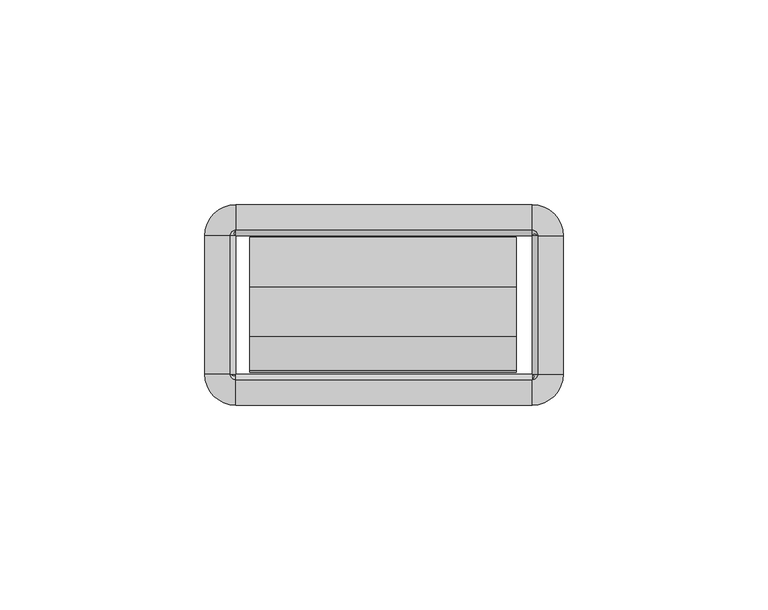
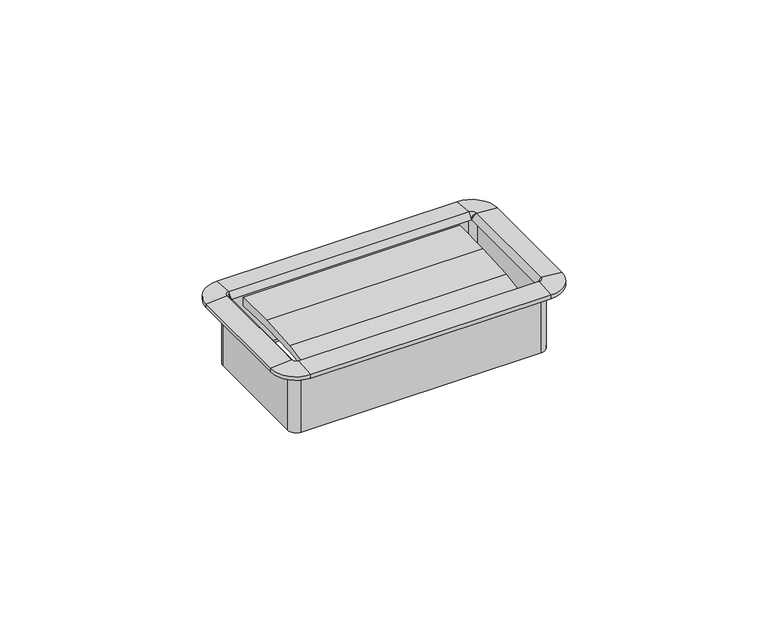
"""IFC4 building model written with IfcOpenShell, lengths in millimetres: furniture geometry."""

from ifc_helpers import new_model, si_unit, frame, origin, place, context, project, spatial, polyline, circle_curve, outline, extrude, source, transform, mapped, element, save
from ifc_brep_helpers import plane_surface, cylinder_surface, revolved_surface, advanced_brep


def furniture_e0453066(model_context):
    return source(origin(), model_context, "Body", "SolidModel", [
        extrude(outline(polyline([(-27.4015977, 721.8120863), (-35.841251, 720.7485162), (-35.4230807, 722.1264643), (-27.1272776, 723.6654801), (-15.0207956, 724.4590476), (-2.8884162, 724.5041428), (-2.9633248, 721.7459915), (-15.1814712, 722.1449755), (-27.4015977, 721.8120863)])), frame((-32.8496732, 0.0, 0.0), z_axis=(1.0, 0.0, 0.0), x_axis=(0.0, 1.0, 0.0)), (0.0, 0.0, 1.0), 65.1763996),
        advanced_brep(
        [(37.8602578, -2.54, 724.74074), (36.1704551, -0.8501974, 724.74074), (36.1704551, -0.8501974, 705.89394), (37.8602578, -2.54, 705.89394), (37.5244377, -2.54, 726.4059854), (36.1704551, -1.1860174, 726.4059854), (36.1704551, -2.5172282, 724.74074), (43.7913825, -2.54, 725.88374), (36.1704551, 5.0809274, 725.88374), (43.7913825, -2.54, 724.74074), (36.1704551, 5.0809274, 724.74074), (38.7104551, -2.54, 704.4207389), (36.1704551, 0.0, 704.4207389), (36.1704551, 0.0, 724.74074), (38.7104551, -2.54, 724.74074), (37.8602578, -36.2712, 705.89394), (37.8602578, -36.2712, 724.74074), (36.1932269, -36.2712, 724.74074), (37.5244377, -36.2712, 726.4059854), (43.7913825, -36.2712, 725.88374), (43.7913825, -36.2712, 724.74074), (38.7104551, -36.2712, 724.74074), (38.7104551, -36.2712, 704.4207389), (36.1704551, -37.9610026, 724.74074), (36.1704551, -37.9610026, 705.89394), (36.1704551, -37.6251826, 726.4059854), (36.1704551, -43.8921274, 725.88374), (36.1704551, -43.8921274, 724.74074), (36.1704551, -38.8112, 704.4207389), (36.1704551, -38.8112, 724.74074), (-36.1687428, -37.9610026, 705.89394), (-36.1687428, -37.9610026, 724.74074), (-36.1687428, -36.2939718, 724.74074), (-36.1687428, -37.6251826, 726.4059854), (-36.1687428, -43.8921274, 725.88374), (-36.1687428, -43.8921274, 724.74074), (-36.1687428, -38.8112, 724.74074), (-36.1687428, -38.8112, 704.4207389), (-37.8585455, -36.2712, 724.74074), (-37.8585455, -36.2712, 705.89394), (-37.5227254, -36.2712, 726.4059854), (-43.7896702, -36.2712, 725.88374), (-43.7896702, -36.2712, 724.74074), (-38.7087428, -36.2712, 704.4207389), (-38.7087428, -36.2712, 724.74074), (-37.8585455, -2.54, 705.89394), (-37.8585455, -2.54, 724.74074), (-36.1915146, -2.54, 724.74074), (-37.5227254, -2.54, 726.4059854), (-43.7896702, -2.54, 725.88374), (-43.7896702, -2.54, 724.74074), (-38.7087428, -2.54, 724.74074), (-38.7087428, -2.54, 704.4207389), (-36.1687428, -0.8501974, 724.74074), (-36.1687428, -0.8501974, 705.89394), (-36.1687428, -1.1860174, 726.4059854), (-36.1687428, 5.0809274, 725.88374), (-36.1687428, 5.0809274, 724.74074), (-36.1687428, 0.0, 704.4207389), (-36.1687428, 0.0, 724.74074), (38.6519521, -2.54, 705.89394), (36.1704551, -0.058503, 705.89394), (38.6519521, -36.2712, 705.89394), (36.1704551, -38.752697, 705.89394), (-36.1687428, -38.752697, 705.89394), (-38.6502398, -36.2712, 705.89394), (-38.6502398, -2.54, 705.89394), (-36.1687428, -0.058503, 705.89394)],
        [
            (0, 1, circle_curve(frame((36.1704551, -2.54, 724.74074), z_axis=(0.0, 0.0, 1.0), x_axis=(0.0, 1.0, 0.0)), 1.6898026)),
            (1, 2),
            (2, 3, circle_curve(frame((36.1704551, -2.54, 705.89394), z_axis=(0.0, 0.0, -1.0), x_axis=(0.0, 1.0, 0.0)), 1.6898026)),
            (3, 0),
            (4, 5, circle_curve(frame((36.1704551, -2.54, 726.4059854), z_axis=(0.0, 0.0, 1.0), x_axis=(0.0, 1.0, 0.0)), 1.3539826)),
            (5, 6),
            (6, 4),
            (7, 8, circle_curve(frame((36.1704551, -2.54, 725.88374), z_axis=(0.0, 0.0, 1.0), x_axis=(0.0, 1.0, 0.0)), 7.6209274)),
            (8, 5),
            (4, 7),
            (9, 10, circle_curve(frame((36.1704551, -2.54, 724.74074), z_axis=(0.0, 0.0, 1.0), x_axis=(0.0, 1.0, 0.0)), 7.6209274)),
            (10, 8),
            (7, 9),
            (11, 12, circle_curve(frame((36.1704551, -2.54, 704.4207389), z_axis=(0.0, 0.0, 1.0), x_axis=(0.0, 1.0, 0.0)), 2.54)),
            (12, 13),
            (13, 14, circle_curve(frame((36.1704551, -2.54, 724.74074), z_axis=(0.0, 0.0, -1.0), x_axis=(0.0, 1.0, 0.0)), 2.54)),
            (14, 11),
            (3, 15),
            (15, 16),
            (16, 0),
            (6, 17),
            (17, 18),
            (18, 4),
            (18, 19),
            (19, 7),
            (19, 20),
            (20, 9),
            (14, 21),
            (21, 22),
            (22, 11),
            (23, 16, circle_curve(frame((36.1704551, -36.2712, 724.74074), z_axis=(0.0, 0.0, 1.0), x_axis=(1.0, 0.0, 0.0)), 1.6898026)),
            (15, 24, circle_curve(frame((36.1704551, -36.2712, 705.89394), z_axis=(0.0, 0.0, -1.0), x_axis=(1.0, 0.0, 0.0)), 1.6898026)),
            (24, 23),
            (25, 18, circle_curve(frame((36.1704551, -36.2712, 726.4059854), z_axis=(0.0, 0.0, 1.0), x_axis=(1.0, 0.0, 0.0)), 1.3539826)),
            (17, 25),
            (26, 19, circle_curve(frame((36.1704551, -36.2712, 725.88374), z_axis=(0.0, 0.0, 1.0), x_axis=(1.0, 0.0, 0.0)), 7.6209274)),
            (25, 26),
            (27, 20, circle_curve(frame((36.1704551, -36.2712, 724.74074), z_axis=(0.0, 0.0, 1.0), x_axis=(1.0, 0.0, 0.0)), 7.6209274)),
            (26, 27),
            (28, 22, circle_curve(frame((36.1704551, -36.2712, 704.4207389), z_axis=(0.0, 0.0, 1.0), x_axis=(1.0, 0.0, 0.0)), 2.54)),
            (21, 29, circle_curve(frame((36.1704551, -36.2712, 724.74074), z_axis=(0.0, 0.0, -1.0), x_axis=(1.0, 0.0, 0.0)), 2.54)),
            (29, 28),
            (24, 30),
            (30, 31),
            (31, 23),
            (17, 32),
            (32, 33),
            (33, 25),
            (33, 34),
            (34, 26),
            (34, 35),
            (35, 27),
            (29, 36),
            (36, 37),
            (37, 28),
            (38, 31, circle_curve(frame((-36.1687428, -36.2712, 724.74074), z_axis=(0.0, 0.0, 1.0), x_axis=(0.0, -1.0, 0.0)), 1.6898026)),
            (30, 39, circle_curve(frame((-36.1687428, -36.2712, 705.89394), z_axis=(0.0, 0.0, -1.0), x_axis=(0.0, -1.0, 0.0)), 1.6898026)),
            (39, 38),
            (40, 33, circle_curve(frame((-36.1687428, -36.2712, 726.4059854), z_axis=(0.0, 0.0, 1.0), x_axis=(0.0, -1.0, 0.0)), 1.3539826)),
            (32, 40),
            (41, 34, circle_curve(frame((-36.1687428, -36.2712, 725.88374), z_axis=(0.0, 0.0, 1.0), x_axis=(0.0, -1.0, 0.0)), 7.6209274)),
            (40, 41),
            (42, 35, circle_curve(frame((-36.1687428, -36.2712, 724.74074), z_axis=(0.0, 0.0, 1.0), x_axis=(0.0, -1.0, 0.0)), 7.6209274)),
            (41, 42),
            (43, 37, circle_curve(frame((-36.1687428, -36.2712, 704.4207389), z_axis=(0.0, 0.0, 1.0), x_axis=(0.0, -1.0, 0.0)), 2.54)),
            (36, 44, circle_curve(frame((-36.1687428, -36.2712, 724.74074), z_axis=(0.0, 0.0, -1.0), x_axis=(0.0, -1.0, 0.0)), 2.54)),
            (44, 43),
            (39, 45),
            (45, 46),
            (46, 38),
            (32, 47),
            (47, 48),
            (48, 40),
            (48, 49),
            (49, 41),
            (49, 50),
            (50, 42),
            (44, 51),
            (51, 52),
            (52, 43),
            (53, 46, circle_curve(frame((-36.1687428, -2.54, 724.74074), z_axis=(0.0, 0.0, 1.0), x_axis=(-1.0, 0.0, 0.0)), 1.6898026)),
            (45, 54, circle_curve(frame((-36.1687428, -2.54, 705.89394), z_axis=(0.0, 0.0, -1.0), x_axis=(-1.0, 0.0, 0.0)), 1.6898026)),
            (54, 53),
            (55, 48, circle_curve(frame((-36.1687428, -2.54, 726.4059854), z_axis=(0.0, 0.0, 1.0), x_axis=(-1.0, 0.0, 0.0)), 1.3539826)),
            (47, 55),
            (56, 49, circle_curve(frame((-36.1687428, -2.54, 725.88374), z_axis=(0.0, 0.0, 1.0), x_axis=(-1.0, 0.0, 0.0)), 7.6209274)),
            (55, 56),
            (57, 50, circle_curve(frame((-36.1687428, -2.54, 724.74074), z_axis=(0.0, 0.0, 1.0), x_axis=(-1.0, 0.0, 0.0)), 7.6209274)),
            (56, 57),
            (58, 52, circle_curve(frame((-36.1687428, -2.54, 704.4207389), z_axis=(0.0, 0.0, 1.0), x_axis=(-1.0, 0.0, 0.0)), 2.54)),
            (51, 59, circle_curve(frame((-36.1687428, -2.54, 724.74074), z_axis=(0.0, 0.0, -1.0), x_axis=(-1.0, 0.0, 0.0)), 2.54)),
            (59, 58),
            (54, 2),
            (1, 53),
            (6, 47),
            (5, 55),
            (8, 56),
            (10, 57),
            (13, 59),
            (12, 58),
            (60, 61, circle_curve(frame((36.1704551, -2.54, 705.89394), z_axis=(0.0, 0.0, 1.0), x_axis=(0.0, 1.0, 0.0)), 2.481497)),
            (61, 12),
            (11, 60),
            (22, 62),
            (62, 60),
            (63, 62, circle_curve(frame((36.1704551, -36.2712, 705.89394), z_axis=(0.0, 0.0, 1.0), x_axis=(1.0, 0.0, 0.0)), 2.481497)),
            (28, 63),
            (37, 64),
            (64, 63),
            (65, 64, circle_curve(frame((-36.1687428, -36.2712, 705.89394), z_axis=(0.0, 0.0, 1.0), x_axis=(0.0, -1.0, 0.0)), 2.481497)),
            (43, 65),
            (52, 66),
            (66, 65),
            (67, 66, circle_curve(frame((-36.1687428, -2.54, 705.89394), z_axis=(0.0, 0.0, 1.0), x_axis=(-1.0, 0.0, 0.0)), 2.481497)),
            (58, 67),
            (61, 67),
        ],
        [
            revolved_surface(polyline([(36.1704551, -0.8501974000000001, 705.89394), (36.1704551, -0.8501974000000001, 724.74074)]), (36.1704551, -2.54, 724.74074), (0.0, 0.0, -1.0)),
            revolved_surface(polyline([(36.1704551, -2.5172282, 724.74074), (36.1704551, -1.1860174, 726.4059854)]), (36.1704551, -2.54, 724.74074), (0.0, 0.0, -1.0)),
            revolved_surface(polyline([(36.1704551, -1.1860174, 726.4059854), (36.1704551, 5.0809274, 725.88374)]), (36.1704551, -2.54, 724.74074), (0.0, 0.0, -1.0)),
            cylinder_surface(frame((36.1704551, -2.54, 724.74074), z_axis=(0.0, 0.0, -1.0), x_axis=(0.0, 1.0, 0.0)), 7.6209274),
            cylinder_surface(frame((36.1704551, -2.54, 724.74074), z_axis=(0.0, 0.0, -1.0), x_axis=(0.0, 1.0, 0.0)), 2.54),
            plane_surface(frame((37.8602578, -2.54, 705.89394), z_axis=(-1.0, 0.0, 0.0), x_axis=(0.0, -1.0, 0.0))),
            plane_surface(frame((36.1932269, -2.54, 724.74074), z_axis=(-0.7810942622858547, 0.0, 0.6244131272035499), x_axis=(0.0, -1.0, 0.0))),
            plane_surface(frame((37.5244377, -2.54, 726.4059854), z_axis=(0.08304548081379862, 0.0, 0.9965457581648749), x_axis=(0.0, -1.0, 0.0))),
            plane_surface(frame((43.7913825, -2.54, 725.88374), z_axis=(1.0, 0.0, 0.0), x_axis=(0.0, -1.0, 0.0))),
            plane_surface(frame((38.7104551, -2.54, 724.74074), z_axis=(1.0, 0.0, 0.0), x_axis=(0.0, -1.0, 0.0))),
            revolved_surface(polyline([(37.8602577, -36.2712, 705.89394), (37.8602577, -36.2712, 724.74074)]), (36.1704551, -36.2712, 724.74074), (0.0, 0.0, -1.0)),
            revolved_surface(polyline([(36.1932269, -36.2712, 724.74074), (37.5244377, -36.2712, 726.4059854)]), (36.1704551, -36.2712, 724.74074), (0.0, 0.0, -1.0)),
            revolved_surface(polyline([(37.5244377, -36.2712, 726.4059854), (43.7913825, -36.2712, 725.88374)]), (36.1704551, -36.2712, 724.74074), (0.0, 0.0, -1.0)),
            cylinder_surface(frame((36.1704551, -36.2712, 724.74074), z_axis=(0.0, 0.0, -1.0), x_axis=(1.0, 0.0, 0.0)), 7.6209274),
            cylinder_surface(frame((36.1704551, -36.2712, 724.74074), z_axis=(0.0, 0.0, -1.0), x_axis=(1.0, 0.0, 0.0)), 2.54),
            plane_surface(frame((36.1704551, -37.9610026, 705.89394), z_axis=(0.0, 1.0, 0.0), x_axis=(-1.0, 0.0, 0.0))),
            plane_surface(frame((36.1704551, -36.2939718, 724.74074), z_axis=(0.0, 0.7810942622858565, 0.6244131272035475), x_axis=(-1.0, 0.0, 0.0))),
            plane_surface(frame((36.1704551, -37.6251826, 726.4059854), z_axis=(0.0, -0.08304548081379555, 0.9965457581648751), x_axis=(-1.0, 0.0, 0.0))),
            plane_surface(frame((36.1704551, -43.8921274, 725.88374), z_axis=(0.0, -1.0, 0.0), x_axis=(-1.0, 0.0, 0.0))),
            plane_surface(frame((36.1704551, -38.8112, 724.74074), z_axis=(0.0, -1.0, 0.0), x_axis=(-1.0, 0.0, 0.0))),
            revolved_surface(polyline([(-36.1687428, -37.9610026, 705.89394), (-36.1687428, -37.9610026, 724.74074)]), (-36.1687428, -36.2712, 724.74074), (0.0, 0.0, -1.0)),
            revolved_surface(polyline([(-36.1687428, -36.2939718, 724.74074), (-36.1687428, -37.6251826, 726.4059854)]), (-36.1687428, -36.2712, 724.74074), (0.0, 0.0, -1.0)),
            revolved_surface(polyline([(-36.1687428, -37.6251826, 726.4059854), (-36.1687428, -43.8921274, 725.88374)]), (-36.1687428, -36.2712, 724.74074), (0.0, 0.0, -1.0)),
            cylinder_surface(frame((-36.1687428, -36.2712, 724.74074), z_axis=(0.0, 0.0, -1.0), x_axis=(0.0, -1.0, 0.0)), 7.6209274),
            cylinder_surface(frame((-36.1687428, -36.2712, 724.74074), z_axis=(0.0, 0.0, -1.0), x_axis=(0.0, -1.0, 0.0)), 2.54),
            plane_surface(frame((-37.8585455, -36.2712, 705.89394), z_axis=(1.0, 0.0, 0.0), x_axis=(0.0, 1.0, 0.0))),
            plane_surface(frame((-36.1915146, -36.2712, 724.74074), z_axis=(0.7810942622858585, 0.0, 0.6244131272035451), x_axis=(0.0, 1.0, 0.0))),
            plane_surface(frame((-37.5227254, -36.2712, 726.4059854), z_axis=(-0.08304548081379248, 0.0, 0.9965457581648753), x_axis=(0.0, 1.0, 0.0))),
            plane_surface(frame((-43.7896702, -36.2712, 725.88374), z_axis=(-1.0, 0.0, 0.0), x_axis=(0.0, 1.0, 0.0))),
            plane_surface(frame((-38.7087428, -36.2712, 724.74074), z_axis=(-1.0, 0.0, 0.0), x_axis=(0.0, 1.0, 0.0))),
            revolved_surface(polyline([(-37.8585454, -2.54, 705.89394), (-37.8585454, -2.54, 724.74074)]), (-36.1687428, -2.54, 724.74074), (0.0, 0.0, -1.0)),
            revolved_surface(polyline([(-36.1915146, -2.54, 724.74074), (-37.5227254, -2.54, 726.4059854)]), (-36.1687428, -2.54, 724.74074), (0.0, 0.0, -1.0)),
            revolved_surface(polyline([(-37.5227254, -2.54, 726.4059854), (-43.7896702, -2.54, 725.88374)]), (-36.1687428, -2.54, 724.74074), (0.0, 0.0, -1.0)),
            cylinder_surface(frame((-36.1687428, -2.54, 724.74074), z_axis=(0.0, 0.0, -1.0), x_axis=(-1.0, 0.0, 0.0)), 7.6209274),
            cylinder_surface(frame((-36.1687428, -2.54, 724.74074), z_axis=(0.0, 0.0, -1.0), x_axis=(-1.0, 0.0, 0.0)), 2.54),
            plane_surface(frame((-36.1687428, -0.8501974, 705.89394), z_axis=(0.0, -1.0, 0.0), x_axis=(1.0, 0.0, 0.0))),
            plane_surface(frame((-36.1687428, -0.8501974, 724.74074), z_axis=(0.0, 0.0, -1.0), x_axis=(1.0, 0.0, 0.0))),
            plane_surface(frame((-36.1687428, -2.5172282, 724.74074), z_axis=(0.0, -0.7810942622858567, 0.6244131272035476), x_axis=(1.0, 0.0, 0.0))),
            plane_surface(frame((-36.1687428, -1.1860174, 726.4059854), z_axis=(0.0, 0.08304548081379555, 0.9965457581648751), x_axis=(1.0, 0.0, 0.0))),
            plane_surface(frame((-36.1687428, 5.0809274, 725.88374), z_axis=(0.0, 1.0, 0.0), x_axis=(1.0, 0.0, 0.0))),
            plane_surface(frame((-36.1687428, 5.0809274, 724.74074), z_axis=(0.0, 0.0, -1.0), x_axis=(1.0, 0.0, 0.0))),
            plane_surface(frame((-36.1687428, 0.0, 724.74074), z_axis=(0.0, 1.0, 0.0), x_axis=(1.0, 0.0, 0.0))),
            revolved_surface(polyline([(36.1704551, 0.0, 704.4207389), (36.1704551, -0.058503, 705.89394)]), (36.1704551, -2.54, 724.74074), (0.0, 0.0, -1.0)),
            plane_surface(frame((38.7104551, -2.54, 704.4207389), z_axis=(-0.9992124303949471, 0.0, -0.03968020847000604), x_axis=(0.0, -1.0, 0.0))),
            revolved_surface(polyline([(38.7104551, -36.2712, 704.4207389), (38.6519521, -36.2712, 705.89394)]), (36.1704551, -36.2712, 724.74074), (0.0, 0.0, -1.0)),
            plane_surface(frame((36.1704551, -38.8112, 704.4207389), z_axis=(0.0, 0.999212430394947, -0.039680208470009116), x_axis=(-1.0, 0.0, 0.0))),
            revolved_surface(polyline([(-36.1687428, -38.8112, 704.4207389), (-36.1687428, -38.752697, 705.89394)]), (-36.1687428, -36.2712, 724.74074), (0.0, 0.0, -1.0)),
            plane_surface(frame((-38.7087428, -36.2712, 704.4207389), z_axis=(0.9992124303949469, 0.0, -0.03968020847001219), x_axis=(0.0, 1.0, 0.0))),
            revolved_surface(polyline([(-38.7087428, -2.54, 704.4207389), (-38.6502398, -2.54, 705.89394)]), (-36.1687428, -2.54, 724.74074), (0.0, 0.0, -1.0)),
            plane_surface(frame((-36.1687428, 0.0, 704.4207389), z_axis=(0.0, -0.999212430394947, -0.039680208470009116), x_axis=(1.0, 0.0, 0.0))),
            plane_surface(frame((-36.1687428, -0.058503, 705.89394), z_axis=(0.0, 0.0, -1.0), x_axis=(1.0, 0.0, 0.0))),
        ],
        [
            (0, [[1, 2, 3, 4]]),
            (1, [[5, 6, 7]]),
            (2, [[8, 9, -5, 10]]),
            (3, [[11, 12, -8, 13]]),
            (4, [[14, 15, 16, 17]]),
            (5, [[-4, 18, 19, 20]]),
            (6, [[-7, 21, 22, 23]]),
            (7, [[-10, -23, 24, 25]]),
            (8, [[-13, -25, 26, 27]]),
            (9, [[-17, 28, 29, 30]]),
            (10, [[31, -19, 32, 33]]),
            (11, [[34, -22, 35]]),
            (12, [[36, -24, -34, 37]]),
            (13, [[38, -26, -36, 39]]),
            (14, [[40, -29, 41, 42]]),
            (15, [[-33, 43, 44, 45]]),
            (16, [[-35, 46, 47, 48]]),
            (17, [[-37, -48, 49, 50]]),
            (18, [[-39, -50, 51, 52]]),
            (19, [[-42, 53, 54, 55]]),
            (20, [[56, -44, 57, 58]]),
            (21, [[59, -47, 60]]),
            (22, [[61, -49, -59, 62]]),
            (23, [[63, -51, -61, 64]]),
            (24, [[65, -54, 66, 67]]),
            (25, [[-58, 68, 69, 70]]),
            (26, [[-60, 71, 72, 73]]),
            (27, [[-62, -73, 74, 75]]),
            (28, [[-64, -75, 76, 77]]),
            (29, [[-67, 78, 79, 80]]),
            (30, [[81, -69, 82, 83]]),
            (31, [[84, -72, 85]]),
            (32, [[86, -74, -84, 87]]),
            (33, [[88, -76, -86, 89]]),
            (34, [[90, -79, 91, 92]]),
            (35, [[-83, 93, -2, 94]]),
            (36, [[-70, -81, -94, -1, -20, -31, -45, -56], [95, -71, -46, -21]]),
            (37, [[-85, -95, -6, 96]]),
            (38, [[-87, -96, -9, 97]]),
            (39, [[-89, -97, -12, 98]]),
            (40, [[-77, -88, -98, -11, -27, -38, -52, -63], [99, -91, -78, -66, -53, -41, -28, -16]]),
            (41, [[-92, -99, -15, 100]]),
            (42, [[101, 102, -14, 103]]),
            (43, [[-103, -30, 104, 105]]),
            (44, [[106, -104, -40, 107]]),
            (45, [[-107, -55, 108, 109]]),
            (46, [[110, -108, -65, 111]]),
            (47, [[-111, -80, 112, 113]]),
            (48, [[114, -112, -90, 115]]),
            (49, [[-115, -100, -102, 116]]),
            (50, [[-113, -114, -116, -101, -105, -106, -109, -110], [-93, -82, -68, -57, -43, -32, -18, -3]]),
        ],
    ),
    ])


if __name__ == "__main__":
    model = new_model("IFC4")
    model_context = context("Model", 3, world=origin())
    ifc_project = project(units=[si_unit("LENGTHUNIT", "METRE", prefix="MILLI")], contexts=[model_context])
    site = spatial("IfcSite", under=ifc_project)
    building = spatial("IfcBuilding", under=site)
    placement = place(None, origin())
    furniture_shape = furniture_e0453066(model_context)
    element("IfcFurniture", 1, at=placement, inside=building, context=model_context, shape_type="MappedRepresentation", body=[
        mapped(furniture_shape, transform((0.0, 0.0, 0.0), x_axis=(1.0, 0.0, 0.0), y_axis=(0.0, 1.0, 0.0), z_axis=(0.0, 0.0, 1.0))),
    ])
    save(model, "model.ifc")
